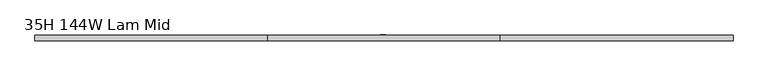
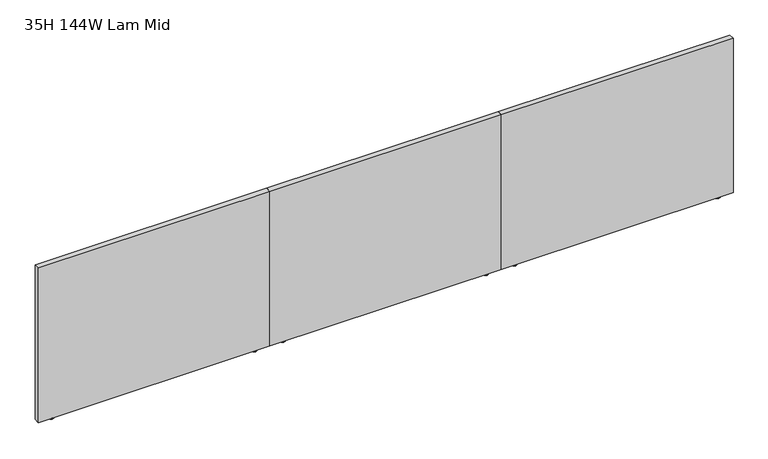
"""IFC4 building model written with IfcOpenShell, lengths in millimetres: furniture geometry, 35H 144W Lam Mid."""

from ifc_helpers import new_model, si_unit, frame, origin, origin_with_axes, place, context, project, spatial, polyline, outline, extrude, source, transform, mapped, element, save


def furniture_35h_144w_lam_mid_f3f756f1(model_context):
    return source(origin(), model_context, "Body", "SweptSolid", [
        extrude(outline(polyline([(3670.3, -12.0014999), (3674.4244439, -14.3827499), (3674.4244439, -19.1452499), (3670.3, -21.5264999), (3666.1755515, -19.1452499), (3666.1755515, -14.3827499), (3670.3, -12.0014999)])), frame((0.0, 0.0, 6.2484002), z_axis=(0.0, 0.0, 1.0), x_axis=(1.0, 0.0, 0.0)), (0.0, 0.0, 1.0), 0.7873997),
        extrude(outline(polyline([(3683.0000015, -24.7014992), (3670.3, -31.0514999), (3657.600003, -24.7014992), (3657.600003, -8.8265001), (3670.3, -2.4764999), (3683.0000015, -8.8265001), (3683.0000015, -24.7014992)])), origin_with_axes(), (0.0, 0.0, 1.0), 6.2484002),
        extrude(outline(polyline([(2573.8666667, -12.0014999), (2577.9911151, -14.3827499), (2577.9911151, -19.1452499), (2573.8666667, -21.5264999), (2569.7422227, -19.1452499), (2569.7422227, -14.3827499), (2573.8666667, -12.0014999)])), frame((0.0, 0.0, 6.2484002), z_axis=(0.0, 0.0, 1.0), x_axis=(1.0, 0.0, 0.0)), (0.0, 0.0, 1.0), 0.7873997),
        extrude(outline(polyline([(2563.1351678, -24.7014992), (2563.1351678, -8.8265001), (2573.8666667, -2.4764999), (2586.5666636, -8.8265001), (2586.5666636, -24.7014992), (2573.8666667, -31.0514999), (2563.1351678, -24.7014992)])), origin_with_axes(), (0.0, 0.0, 1.0), 6.2484002),
        extrude(outline(polyline([(3746.5, -1.778), (3746.5, -31.8008002), (2497.6666667, -31.8008002), (2497.6666667, -1.778), (3746.5, -1.778)])), frame((0.0, 0.0, 7.0357999), z_axis=(0.0, 0.0, 1.0), x_axis=(1.0, 0.0, 0.0)), (0.0, 0.0, 1.0), 881.9642001),
        extrude(outline(polyline([(2421.4666667, -12.0014999), (2425.5911106, -14.3827499), (2425.5911106, -19.1452499), (2421.4666667, -21.5264999), (2417.3422182, -19.1452499), (2417.3422182, -14.3827499), (2421.4666667, -12.0014999)])), frame((0.0, 0.0, 6.2484002), z_axis=(0.0, 0.0, 1.0), x_axis=(1.0, 0.0, 0.0)), (0.0, 0.0, 1.0), 0.7873997),
        extrude(outline(polyline([(2434.1666682, -24.7014992), (2421.4666667, -31.0514999), (2408.7666697, -24.7014992), (2408.7666697, -8.8265001), (2421.4666667, -2.4764999), (2434.1666682, -8.8265001), (2434.1666682, -24.7014992)])), origin_with_axes(), (0.0, 0.0, 1.0), 6.2484002),
        extrude(outline(polyline([(1325.0333333, -12.0014999), (1329.1577818, -14.3827499), (1329.1577818, -19.1452499), (1325.0333333, -21.5264999), (1320.9088894, -19.1452499), (1320.9088894, -14.3827499), (1325.0333333, -12.0014999)])), frame((0.0, 0.0, 6.2484002), z_axis=(0.0, 0.0, 1.0), x_axis=(1.0, 0.0, 0.0)), (0.0, 0.0, 1.0), 0.7873997),
        extrude(outline(polyline([(1314.3018345, -24.7014992), (1314.3018345, -8.8265001), (1325.0333333, -2.4764999), (1337.7333303, -8.8265001), (1337.7333303, -24.7014992), (1325.0333333, -31.0514999), (1314.3018345, -24.7014992)])), origin_with_axes(), (0.0, 0.0, 1.0), 6.2484002),
        extrude(outline(polyline([(2497.6666667, -1.778), (2497.6666667, -31.8008002), (1248.8333333, -31.8008002), (1248.8333333, -1.778), (2497.6666667, -1.778)])), frame((0.0, 0.0, 7.0357999), z_axis=(0.0, 0.0, 1.0), x_axis=(1.0, 0.0, 0.0)), (0.0, 0.0, 1.0), 881.9642001),
        extrude(outline(polyline([(1172.6333333, -12.0014999), (1176.7577773, -14.3827499), (1176.7577773, -19.1452499), (1172.6333333, -21.5264999), (1168.5088849, -19.1452499), (1168.5088849, -14.3827499), (1172.6333333, -12.0014999)])), frame((0.0, 0.0, 6.2484002), z_axis=(0.0, 0.0, 1.0), x_axis=(1.0, 0.0, 0.0)), (0.0, 0.0, 1.0), 0.7873997),
        extrude(outline(polyline([(1185.3333348, -24.7014992), (1172.6333333, -31.0514999), (1159.9333364, -24.7014992), (1159.9333364, -8.8265001), (1172.6333333, -2.4764999), (1185.3333348, -8.8265001), (1185.3333348, -24.7014992)])), origin_with_axes(), (0.0, 0.0, 1.0), 6.2484002),
        extrude(outline(polyline([(76.2, -12.0014999), (80.3244485, -14.3827499), (80.3244485, -19.1452499), (76.2, -21.5264999), (72.0755561, -19.1452499), (72.0755561, -14.3827499), (76.2, -12.0014999)])), frame((0.0, 0.0, 6.2484002), z_axis=(0.0, 0.0, 1.0), x_axis=(1.0, 0.0, 0.0)), (0.0, 0.0, 1.0), 0.7873997),
        extrude(outline(polyline([(65.4685012, -24.7014992), (65.4685012, -8.8265001), (76.2, -2.4764999), (88.899997, -8.8265001), (88.899997, -24.7014992), (76.2, -31.0514999), (65.4685012, -24.7014992)])), origin_with_axes(), (0.0, 0.0, 1.0), 6.2484002),
        extrude(outline(polyline([(1248.8333333, -1.778), (1248.8333333, -31.8008002), (0.0, -31.8008002), (0.0, -1.778), (1248.8333333, -1.778)])), frame((0.0, 0.0, 7.0357999), z_axis=(0.0, 0.0, 1.0), x_axis=(1.0, 0.0, 0.0)), (0.0, 0.0, 1.0), 881.9642001),
        extrude(outline(polyline([(1882.203499, 0.0), (1882.203499, -1.778), (1853.6350302, -1.778), (1853.6350302, 0.0), (1882.203499, 0.0)])), frame((0.0, 0.0, 144.9578035), z_axis=(0.0, 0.0, 1.0), x_axis=(1.0, 0.0, 0.0)), (0.0, 0.0, 1.0), 558.7999725),
    ])


if __name__ == "__main__":
    model = new_model("IFC4")
    model_context = context("Model", 3, world=origin())
    ifc_project = project(units=[si_unit("LENGTHUNIT", "METRE", prefix="MILLI")], contexts=[model_context])
    site = spatial("IfcSite", under=ifc_project)
    building = spatial("IfcBuilding", under=site)
    placement = place(None, origin())
    furniture_35h_144w_lam_mid_shape = furniture_35h_144w_lam_mid_f3f756f1(model_context)
    element("IfcFurniture", 1, ObjectType="35H 144W Lam Mid", at=placement, inside=building, context=model_context, shape_type="MappedRepresentation", body=[
        mapped(furniture_35h_144w_lam_mid_shape, transform((0.0, 0.0, 0.0), x_axis=(1.0, 0.0, 0.0), y_axis=(0.0, 1.0, 0.0), z_axis=(0.0, 0.0, 1.0))),
    ])
    save(model, "model.ifc")
